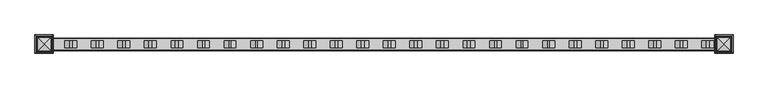
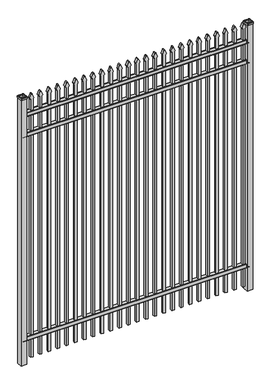
"""IFC4 building model written with IfcOpenShell, lengths in millimetres: railing geometry."""

from ifc_helpers import new_model, si_unit, point, frame, frame_2d, origin, origin_with_axes, place, context, project, spatial, polyline, circle_curve, ellipse_curve, trimmed, segment, composite_curve, outline, extrude, source, transform, mapped, element, save
from ifc_brep_helpers import plane_surface, cylinder_surface, advanced_brep


def railing_ef5b2bd4(model_context):
    return source(origin(), model_context, "Body", "SolidModel", [
        extrude(outline(composite_curve([segment(polyline([(4253.9139761, 304.8), (4291.969541, 304.8)]), True, "CONTINUOUS"), segment(trimmed(circle_curve(frame_2d((4291.969541, 301.625)), 3.175), [point((4291.969541, 304.8))], [point((4295.144541, 301.625))], False, "CARTESIAN"), True, "CONTINUOUS"), segment(polyline([(4295.144541, 301.625), (4295.144541, 262.1439893)]), True, "CONTINUOUS"), segment(trimmed(circle_curve(frame_2d((4293.3505518, 262.1439893)), 1.7939893), [point((4295.144541, 262.1439893))], [point((4293.3505518, 260.35))], False, "CARTESIAN"), True, "CONTINUOUS"), segment(polyline([(4293.3505518, 260.35), (4290.7590713, 260.35)]), True, "CONTINUOUS"), segment(trimmed(circle_curve(frame_2d((4290.7590713, 262.1359375)), 1.7859375), [point((4290.7590713, 260.35))], [point((4288.9755813, 262.0424688))], False, "CARTESIAN"), True, "CONTINUOUS"), segment(polyline([(4288.9755813, 262.0424688), (4287.4025867, 292.0569942), (4258.4364954, 292.0569942), (4256.8635007, 262.0424688)]), True, "CONTINUOUS"), segment(trimmed(circle_curve(frame_2d((4255.0800108, 262.1359375)), 1.7859375), [point((4256.8635007, 262.0424688))], [point((4255.0800108, 260.35))], False, "CARTESIAN"), True, "CONTINUOUS"), segment(polyline([(4255.0800108, 260.35), (4252.4804785, 260.35)]), True, "CONTINUOUS"), segment(trimmed(circle_curve(frame_2d((4252.4804785, 262.1359375)), 1.7859375), [point((4252.4804785, 260.35))], [point((4250.694541, 262.1359375))], False, "CARTESIAN"), True, "CONTINUOUS"), segment(polyline([(4250.694541, 262.1359375), (4250.694541, 301.5805649)]), True, "CONTINUOUS"), segment(trimmed(circle_curve(frame_2d((4253.9139761, 301.5805649)), 3.2194351), [point((4250.694541, 301.5805649))], [point((4253.9139761, 304.8))], False, "CARTESIAN"), True, "CONTINUOUS")], self_intersect=False)), frame((-28443.4649936, 0.0, 0.0), z_axis=(1.0, 0.0, 0.0), x_axis=(0.0, 1.0, 0.0)), (0.0, 0.0, 1.0), 2438.4),
        extrude(outline(composite_curve([segment(polyline([(4253.9139761, 2628.9), (4291.969541, 2628.9)]), True, "CONTINUOUS"), segment(trimmed(circle_curve(frame_2d((4291.969541, 2625.725)), 3.175), [point((4291.969541, 2628.9))], [point((4295.144541, 2625.725))], False, "CARTESIAN"), True, "CONTINUOUS"), segment(polyline([(4295.144541, 2625.725), (4295.144541, 2586.2439893)]), True, "CONTINUOUS"), segment(trimmed(circle_curve(frame_2d((4293.3505518, 2586.2439893)), 1.7939893), [point((4295.144541, 2586.2439893))], [point((4293.3505518, 2584.45))], False, "CARTESIAN"), True, "CONTINUOUS"), segment(polyline([(4293.3505518, 2584.45), (4290.7590713, 2584.45)]), True, "CONTINUOUS"), segment(trimmed(circle_curve(frame_2d((4290.7590713, 2586.2359375)), 1.7859375), [point((4290.7590713, 2584.45))], [point((4288.9755813, 2586.1424688))], False, "CARTESIAN"), True, "CONTINUOUS"), segment(polyline([(4288.9755813, 2586.1424688), (4287.4025867, 2616.1569942), (4258.4364954, 2616.1569942), (4256.8635007, 2586.1424688)]), True, "CONTINUOUS"), segment(trimmed(circle_curve(frame_2d((4255.0800108, 2586.2359375)), 1.7859375), [point((4256.8635007, 2586.1424688))], [point((4255.0800108, 2584.45))], False, "CARTESIAN"), True, "CONTINUOUS"), segment(polyline([(4255.0800108, 2584.45), (4252.4804785, 2584.45)]), True, "CONTINUOUS"), segment(trimmed(circle_curve(frame_2d((4252.4804785, 2586.2359375)), 1.7859375), [point((4252.4804785, 2584.45))], [point((4250.694541, 2586.2359375))], False, "CARTESIAN"), True, "CONTINUOUS"), segment(polyline([(4250.694541, 2586.2359375), (4250.694541, 2625.6805649)]), True, "CONTINUOUS"), segment(trimmed(circle_curve(frame_2d((4253.9139761, 2625.6805649)), 3.2194351), [point((4250.694541, 2625.6805649))], [point((4253.9139761, 2628.9))], False, "CARTESIAN"), True, "CONTINUOUS")], self_intersect=False)), frame((-28443.4649936, 0.0, 0.0), z_axis=(1.0, 0.0, 0.0), x_axis=(0.0, 1.0, 0.0)), (0.0, 0.0, 1.0), 2438.4),
        extrude(outline(composite_curve([segment(polyline([(4253.9139761, 2859.0875), (4291.969541, 2859.0875)]), True, "CONTINUOUS"), segment(trimmed(circle_curve(frame_2d((4291.969541, 2855.9125)), 3.175), [point((4291.969541, 2859.0875))], [point((4295.144541, 2855.9125))], False, "CARTESIAN"), True, "CONTINUOUS"), segment(polyline([(4295.144541, 2855.9125), (4295.144541, 2816.4314893)]), True, "CONTINUOUS"), segment(trimmed(circle_curve(frame_2d((4293.3505518, 2816.4314893)), 1.7939893), [point((4295.144541, 2816.4314893))], [point((4293.3505518, 2814.6375))], False, "CARTESIAN"), True, "CONTINUOUS"), segment(polyline([(4293.3505518, 2814.6375), (4290.7590713, 2814.6375)]), True, "CONTINUOUS"), segment(trimmed(circle_curve(frame_2d((4290.7590713, 2816.4234375)), 1.7859375), [point((4290.7590713, 2814.6375))], [point((4288.9755813, 2816.3299688))], False, "CARTESIAN"), True, "CONTINUOUS"), segment(polyline([(4288.9755813, 2816.3299688), (4287.4025867, 2846.3444942), (4258.4364954, 2846.3444942), (4256.8635007, 2816.3299688)]), True, "CONTINUOUS"), segment(trimmed(circle_curve(frame_2d((4255.0800108, 2816.4234375)), 1.7859375), [point((4256.8635007, 2816.3299688))], [point((4255.0800108, 2814.6375))], False, "CARTESIAN"), True, "CONTINUOUS"), segment(polyline([(4255.0800108, 2814.6375), (4252.4804785, 2814.6375)]), True, "CONTINUOUS"), segment(trimmed(circle_curve(frame_2d((4252.4804785, 2816.4234375)), 1.7859375), [point((4252.4804785, 2814.6375))], [point((4250.694541, 2816.4234375))], False, "CARTESIAN"), True, "CONTINUOUS"), segment(polyline([(4250.694541, 2816.4234375), (4250.694541, 2855.8680649)]), True, "CONTINUOUS"), segment(trimmed(circle_curve(frame_2d((4253.9139761, 2855.8680649)), 3.2194351), [point((4250.694541, 2855.8680649))], [point((4253.9139761, 2859.0875))], False, "CARTESIAN"), True, "CONTINUOUS")], self_intersect=False)), frame((-28443.4649936, 0.0, 0.0), z_axis=(1.0, 0.0, 0.0), x_axis=(0.0, 1.0, 0.0)), (0.0, 0.0, 1.0), 2438.4),
        extrude(outline(composite_curve([segment(polyline([(2988.6798417, -26074.9149936), (50.8, -26074.9149936), (50.8, -26049.5149936), (2988.4579232, -26049.5149936)]), True, "CONTINUOUS"), segment(trimmed(circle_curve(frame_2d((3006.9299402, -26063.3872336)), 23.1009622), [point((2988.4579232, -26049.5149936))], [point((3001.4676176, -26040.9413545))], False, "CARTESIAN"), True, "CONTINUOUS"), segment(polyline([(3001.4676176, -26040.9413545), (3041.9555225, -26057.2605644)]), True, "CONTINUOUS"), segment(trimmed(circle_curve(frame_2d((3038.8045804, -26062.3905764)), 6.0204202), [point((3041.9555225, -26057.2605644))], [point((3041.9555225, -26067.5205884))], False, "CARTESIAN"), True, "CONTINUOUS"), segment(polyline([(3041.9555225, -26067.5205884), (3002.7339948, -26083.4687724)]), True, "CONTINUOUS"), segment(trimmed(circle_curve(frame_2d((3006.9299402, -26060.7520716)), 23.1009622), [point((3002.7339948, -26083.4687724))], [point((2988.6798417, -26074.9149936))], False, "CARTESIAN"), True, "CONTINUOUS")], self_intersect=False)), frame((0.0, 4260.219541, 0.0), z_axis=(0.0, 1.0, 0.0), x_axis=(0.0, 0.0, 1.0)), (0.0, 0.0, 1.0), 25.4),
        extrude(outline(composite_curve([segment(polyline([(2988.6798417, -26170.1649936), (50.8, -26170.1649936), (50.8, -26144.7649936), (2988.4579232, -26144.7649936)]), True, "CONTINUOUS"), segment(trimmed(circle_curve(frame_2d((3006.9299402, -26158.6372336)), 23.1009622), [point((2988.4579232, -26144.7649936))], [point((3001.4676176, -26136.1913545))], False, "CARTESIAN"), True, "CONTINUOUS"), segment(polyline([(3001.4676176, -26136.1913545), (3041.9555225, -26152.5105644)]), True, "CONTINUOUS"), segment(trimmed(circle_curve(frame_2d((3038.8045804, -26157.6405764)), 6.0204202), [point((3041.9555225, -26152.5105644))], [point((3041.9555225, -26162.7705884))], False, "CARTESIAN"), True, "CONTINUOUS"), segment(polyline([(3041.9555225, -26162.7705884), (3002.7339948, -26178.7187724)]), True, "CONTINUOUS"), segment(trimmed(circle_curve(frame_2d((3006.9299402, -26156.0020716)), 23.1009622), [point((3002.7339948, -26178.7187724))], [point((2988.6798417, -26170.1649936))], False, "CARTESIAN"), True, "CONTINUOUS")], self_intersect=False)), frame((0.0, 4260.219541, 0.0), z_axis=(0.0, 1.0, 0.0), x_axis=(0.0, 0.0, 1.0)), (0.0, 0.0, 1.0), 25.4),
        extrude(outline(composite_curve([segment(polyline([(2988.6798417, -26265.4149936), (50.8, -26265.4149936), (50.8, -26240.0149936), (2988.4579232, -26240.0149936)]), True, "CONTINUOUS"), segment(trimmed(circle_curve(frame_2d((3006.9299402, -26253.8872336)), 23.1009622), [point((2988.4579232, -26240.0149936))], [point((3001.4676176, -26231.4413545))], False, "CARTESIAN"), True, "CONTINUOUS"), segment(polyline([(3001.4676176, -26231.4413545), (3041.9555225, -26247.7605644)]), True, "CONTINUOUS"), segment(trimmed(circle_curve(frame_2d((3038.8045804, -26252.8905764)), 6.0204202), [point((3041.9555225, -26247.7605644))], [point((3041.9555225, -26258.0205884))], False, "CARTESIAN"), True, "CONTINUOUS"), segment(polyline([(3041.9555225, -26258.0205884), (3002.7339948, -26273.9687724)]), True, "CONTINUOUS"), segment(trimmed(circle_curve(frame_2d((3006.9299402, -26251.2520716)), 23.1009622), [point((3002.7339948, -26273.9687724))], [point((2988.6798417, -26265.4149936))], False, "CARTESIAN"), True, "CONTINUOUS")], self_intersect=False)), frame((0.0, 4260.219541, 0.0), z_axis=(0.0, 1.0, 0.0), x_axis=(0.0, 0.0, 1.0)), (0.0, 0.0, 1.0), 25.4),
        extrude(outline(composite_curve([segment(polyline([(2988.6798417, -26360.6649936), (50.8, -26360.6649936), (50.8, -26335.2649936), (2988.4579232, -26335.2649936)]), True, "CONTINUOUS"), segment(trimmed(circle_curve(frame_2d((3006.9299402, -26349.1372336)), 23.1009622), [point((2988.4579232, -26335.2649936))], [point((3001.4676176, -26326.6913545))], False, "CARTESIAN"), True, "CONTINUOUS"), segment(polyline([(3001.4676176, -26326.6913545), (3041.9555225, -26343.0105644)]), True, "CONTINUOUS"), segment(trimmed(circle_curve(frame_2d((3038.8045804, -26348.1405764)), 6.0204202), [point((3041.9555225, -26343.0105644))], [point((3041.9555225, -26353.2705884))], False, "CARTESIAN"), True, "CONTINUOUS"), segment(polyline([(3041.9555225, -26353.2705884), (3002.7339948, -26369.2187724)]), True, "CONTINUOUS"), segment(trimmed(circle_curve(frame_2d((3006.9299402, -26346.5020716)), 23.1009622), [point((3002.7339948, -26369.2187724))], [point((2988.6798417, -26360.6649936))], False, "CARTESIAN"), True, "CONTINUOUS")], self_intersect=False)), frame((0.0, 4260.219541, 0.0), z_axis=(0.0, 1.0, 0.0), x_axis=(0.0, 0.0, 1.0)), (0.0, 0.0, 1.0), 25.4),
        extrude(outline(composite_curve([segment(polyline([(2988.6798417, -26455.9149936), (50.8, -26455.9149936), (50.8, -26430.5149936), (2988.4579232, -26430.5149936)]), True, "CONTINUOUS"), segment(trimmed(circle_curve(frame_2d((3006.9299402, -26444.3872336)), 23.1009622), [point((2988.4579232, -26430.5149936))], [point((3001.4676176, -26421.9413545))], False, "CARTESIAN"), True, "CONTINUOUS"), segment(polyline([(3001.4676176, -26421.9413545), (3041.9555225, -26438.2605644)]), True, "CONTINUOUS"), segment(trimmed(circle_curve(frame_2d((3038.8045804, -26443.3905764)), 6.0204202), [point((3041.9555225, -26438.2605644))], [point((3041.9555225, -26448.5205884))], False, "CARTESIAN"), True, "CONTINUOUS"), segment(polyline([(3041.9555225, -26448.5205884), (3002.7339948, -26464.4687724)]), True, "CONTINUOUS"), segment(trimmed(circle_curve(frame_2d((3006.9299402, -26441.7520716)), 23.1009622), [point((3002.7339948, -26464.4687724))], [point((2988.6798417, -26455.9149936))], False, "CARTESIAN"), True, "CONTINUOUS")], self_intersect=False)), frame((0.0, 4260.219541, 0.0), z_axis=(0.0, 1.0, 0.0), x_axis=(0.0, 0.0, 1.0)), (0.0, 0.0, 1.0), 25.4),
        extrude(outline(composite_curve([segment(polyline([(2988.6798417, -26551.1649936), (50.8, -26551.1649936), (50.8, -26525.7649936), (2988.4579232, -26525.7649936)]), True, "CONTINUOUS"), segment(trimmed(circle_curve(frame_2d((3006.9299402, -26539.6372336)), 23.1009622), [point((2988.4579232, -26525.7649936))], [point((3001.4676176, -26517.1913545))], False, "CARTESIAN"), True, "CONTINUOUS"), segment(polyline([(3001.4676176, -26517.1913545), (3041.9555225, -26533.5105644)]), True, "CONTINUOUS"), segment(trimmed(circle_curve(frame_2d((3038.8045804, -26538.6405764)), 6.0204202), [point((3041.9555225, -26533.5105644))], [point((3041.9555225, -26543.7705884))], False, "CARTESIAN"), True, "CONTINUOUS"), segment(polyline([(3041.9555225, -26543.7705884), (3002.7339948, -26559.7187724)]), True, "CONTINUOUS"), segment(trimmed(circle_curve(frame_2d((3006.9299402, -26537.0020716)), 23.1009622), [point((3002.7339948, -26559.7187724))], [point((2988.6798417, -26551.1649936))], False, "CARTESIAN"), True, "CONTINUOUS")], self_intersect=False)), frame((0.0, 4260.219541, 0.0), z_axis=(0.0, 1.0, 0.0), x_axis=(0.0, 0.0, 1.0)), (0.0, 0.0, 1.0), 25.4),
        extrude(outline(composite_curve([segment(polyline([(2988.6798417, -26646.4149936), (50.8, -26646.4149936), (50.8, -26621.0149936), (2988.4579232, -26621.0149936)]), True, "CONTINUOUS"), segment(trimmed(circle_curve(frame_2d((3006.9299402, -26634.8872336)), 23.1009622), [point((2988.4579232, -26621.0149936))], [point((3001.4676176, -26612.4413545))], False, "CARTESIAN"), True, "CONTINUOUS"), segment(polyline([(3001.4676176, -26612.4413545), (3041.9555225, -26628.7605644)]), True, "CONTINUOUS"), segment(trimmed(circle_curve(frame_2d((3038.8045804, -26633.8905764)), 6.0204202), [point((3041.9555225, -26628.7605644))], [point((3041.9555225, -26639.0205884))], False, "CARTESIAN"), True, "CONTINUOUS"), segment(polyline([(3041.9555225, -26639.0205884), (3002.7339948, -26654.9687724)]), True, "CONTINUOUS"), segment(trimmed(circle_curve(frame_2d((3006.9299402, -26632.2520716)), 23.1009622), [point((3002.7339948, -26654.9687724))], [point((2988.6798417, -26646.4149936))], False, "CARTESIAN"), True, "CONTINUOUS")], self_intersect=False)), frame((0.0, 4260.219541, 0.0), z_axis=(0.0, 1.0, 0.0), x_axis=(0.0, 0.0, 1.0)), (0.0, 0.0, 1.0), 25.4),
        extrude(outline(composite_curve([segment(polyline([(2988.6798417, -26741.6649936), (50.8, -26741.6649936), (50.8, -26716.2649936), (2988.4579232, -26716.2649936)]), True, "CONTINUOUS"), segment(trimmed(circle_curve(frame_2d((3006.9299402, -26730.1372336)), 23.1009622), [point((2988.4579232, -26716.2649936))], [point((3001.4676176, -26707.6913545))], False, "CARTESIAN"), True, "CONTINUOUS"), segment(polyline([(3001.4676176, -26707.6913545), (3041.9555225, -26724.0105644)]), True, "CONTINUOUS"), segment(trimmed(circle_curve(frame_2d((3038.8045804, -26729.1405764)), 6.0204202), [point((3041.9555225, -26724.0105644))], [point((3041.9555225, -26734.2705884))], False, "CARTESIAN"), True, "CONTINUOUS"), segment(polyline([(3041.9555225, -26734.2705884), (3002.7339948, -26750.2187724)]), True, "CONTINUOUS"), segment(trimmed(circle_curve(frame_2d((3006.9299402, -26727.5020716)), 23.1009622), [point((3002.7339948, -26750.2187724))], [point((2988.6798417, -26741.6649936))], False, "CARTESIAN"), True, "CONTINUOUS")], self_intersect=False)), frame((0.0, 4260.219541, 0.0), z_axis=(0.0, 1.0, 0.0), x_axis=(0.0, 0.0, 1.0)), (0.0, 0.0, 1.0), 25.4),
        extrude(outline(composite_curve([segment(polyline([(2988.6798417, -26836.9149936), (50.8, -26836.9149936), (50.8, -26811.5149936), (2988.4579232, -26811.5149936)]), True, "CONTINUOUS"), segment(trimmed(circle_curve(frame_2d((3006.9299402, -26825.3872336)), 23.1009622), [point((2988.4579232, -26811.5149936))], [point((3001.4676176, -26802.9413545))], False, "CARTESIAN"), True, "CONTINUOUS"), segment(polyline([(3001.4676176, -26802.9413545), (3041.9555225, -26819.2605644)]), True, "CONTINUOUS"), segment(trimmed(circle_curve(frame_2d((3038.8045804, -26824.3905764)), 6.0204202), [point((3041.9555225, -26819.2605644))], [point((3041.9555225, -26829.5205884))], False, "CARTESIAN"), True, "CONTINUOUS"), segment(polyline([(3041.9555225, -26829.5205884), (3002.7339948, -26845.4687724)]), True, "CONTINUOUS"), segment(trimmed(circle_curve(frame_2d((3006.9299402, -26822.7520716)), 23.1009622), [point((3002.7339948, -26845.4687724))], [point((2988.6798417, -26836.9149936))], False, "CARTESIAN"), True, "CONTINUOUS")], self_intersect=False)), frame((0.0, 4260.219541, 0.0), z_axis=(0.0, 1.0, 0.0), x_axis=(0.0, 0.0, 1.0)), (0.0, 0.0, 1.0), 25.4),
        extrude(outline(composite_curve([segment(polyline([(2988.6798417, -26932.1649936), (50.8, -26932.1649936), (50.8, -26906.7649936), (2988.4579232, -26906.7649936)]), True, "CONTINUOUS"), segment(trimmed(circle_curve(frame_2d((3006.9299402, -26920.6372336)), 23.1009622), [point((2988.4579232, -26906.7649936))], [point((3001.4676176, -26898.1913545))], False, "CARTESIAN"), True, "CONTINUOUS"), segment(polyline([(3001.4676176, -26898.1913545), (3041.9555225, -26914.5105644)]), True, "CONTINUOUS"), segment(trimmed(circle_curve(frame_2d((3038.8045804, -26919.6405764)), 6.0204202), [point((3041.9555225, -26914.5105644))], [point((3041.9555225, -26924.7705884))], False, "CARTESIAN"), True, "CONTINUOUS"), segment(polyline([(3041.9555225, -26924.7705884), (3002.7339948, -26940.7187724)]), True, "CONTINUOUS"), segment(trimmed(circle_curve(frame_2d((3006.9299402, -26918.0020716)), 23.1009622), [point((3002.7339948, -26940.7187724))], [point((2988.6798417, -26932.1649936))], False, "CARTESIAN"), True, "CONTINUOUS")], self_intersect=False)), frame((0.0, 4260.219541, 0.0), z_axis=(0.0, 1.0, 0.0), x_axis=(0.0, 0.0, 1.0)), (0.0, 0.0, 1.0), 25.4),
        extrude(outline(composite_curve([segment(polyline([(2988.6798417, -27027.4149936), (50.8, -27027.4149936), (50.8, -27002.0149936), (2988.4579232, -27002.0149936)]), True, "CONTINUOUS"), segment(trimmed(circle_curve(frame_2d((3006.9299402, -27015.8872336)), 23.1009622), [point((2988.4579232, -27002.0149936))], [point((3001.4676176, -26993.4413545))], False, "CARTESIAN"), True, "CONTINUOUS"), segment(polyline([(3001.4676176, -26993.4413545), (3041.9555225, -27009.7605644)]), True, "CONTINUOUS"), segment(trimmed(circle_curve(frame_2d((3038.8045804, -27014.8905764)), 6.0204202), [point((3041.9555225, -27009.7605644))], [point((3041.9555225, -27020.0205884))], False, "CARTESIAN"), True, "CONTINUOUS"), segment(polyline([(3041.9555225, -27020.0205884), (3002.7339948, -27035.9687724)]), True, "CONTINUOUS"), segment(trimmed(circle_curve(frame_2d((3006.9299402, -27013.2520716)), 23.1009622), [point((3002.7339948, -27035.9687724))], [point((2988.6798417, -27027.4149936))], False, "CARTESIAN"), True, "CONTINUOUS")], self_intersect=False)), frame((0.0, 4260.219541, 0.0), z_axis=(0.0, 1.0, 0.0), x_axis=(0.0, 0.0, 1.0)), (0.0, 0.0, 1.0), 25.4),
        extrude(outline(composite_curve([segment(polyline([(2988.6798417, -27122.6649936), (50.8, -27122.6649936), (50.8, -27097.2649936), (2988.4579232, -27097.2649936)]), True, "CONTINUOUS"), segment(trimmed(circle_curve(frame_2d((3006.9299402, -27111.1372336)), 23.1009622), [point((2988.4579232, -27097.2649936))], [point((3001.4676176, -27088.6913545))], False, "CARTESIAN"), True, "CONTINUOUS"), segment(polyline([(3001.4676176, -27088.6913545), (3041.9555225, -27105.0105644)]), True, "CONTINUOUS"), segment(trimmed(circle_curve(frame_2d((3038.8045804, -27110.1405764)), 6.0204202), [point((3041.9555225, -27105.0105644))], [point((3041.9555225, -27115.2705884))], False, "CARTESIAN"), True, "CONTINUOUS"), segment(polyline([(3041.9555225, -27115.2705884), (3002.7339948, -27131.2187724)]), True, "CONTINUOUS"), segment(trimmed(circle_curve(frame_2d((3006.9299402, -27108.5020716)), 23.1009622), [point((3002.7339948, -27131.2187724))], [point((2988.6798417, -27122.6649936))], False, "CARTESIAN"), True, "CONTINUOUS")], self_intersect=False)), frame((0.0, 4260.219541, 0.0), z_axis=(0.0, 1.0, 0.0), x_axis=(0.0, 0.0, 1.0)), (0.0, 0.0, 1.0), 25.4),
        extrude(outline(composite_curve([segment(polyline([(2988.6798417, -27217.9149936), (50.8, -27217.9149936), (50.8, -27192.5149936), (2988.4579232, -27192.5149936)]), True, "CONTINUOUS"), segment(trimmed(circle_curve(frame_2d((3006.9299402, -27206.3872336)), 23.1009622), [point((2988.4579232, -27192.5149936))], [point((3001.4676176, -27183.9413545))], False, "CARTESIAN"), True, "CONTINUOUS"), segment(polyline([(3001.4676176, -27183.9413545), (3041.9555225, -27200.2605644)]), True, "CONTINUOUS"), segment(trimmed(circle_curve(frame_2d((3038.8045804, -27205.3905764)), 6.0204202), [point((3041.9555225, -27200.2605644))], [point((3041.9555225, -27210.5205884))], False, "CARTESIAN"), True, "CONTINUOUS"), segment(polyline([(3041.9555225, -27210.5205884), (3002.7339948, -27226.4687724)]), True, "CONTINUOUS"), segment(trimmed(circle_curve(frame_2d((3006.9299402, -27203.7520716)), 23.1009622), [point((3002.7339948, -27226.4687724))], [point((2988.6798417, -27217.9149936))], False, "CARTESIAN"), True, "CONTINUOUS")], self_intersect=False)), frame((0.0, 4260.219541, 0.0), z_axis=(0.0, 1.0, 0.0), x_axis=(0.0, 0.0, 1.0)), (0.0, 0.0, 1.0), 25.4),
        extrude(outline(composite_curve([segment(polyline([(2988.6798417, -27313.1649936), (50.8, -27313.1649936), (50.8, -27287.7649936), (2988.4579232, -27287.7649936)]), True, "CONTINUOUS"), segment(trimmed(circle_curve(frame_2d((3006.9299402, -27301.6372336)), 23.1009622), [point((2988.4579232, -27287.7649936))], [point((3001.4676176, -27279.1913545))], False, "CARTESIAN"), True, "CONTINUOUS"), segment(polyline([(3001.4676176, -27279.1913545), (3041.9555225, -27295.5105644)]), True, "CONTINUOUS"), segment(trimmed(circle_curve(frame_2d((3038.8045804, -27300.6405764)), 6.0204202), [point((3041.9555225, -27295.5105644))], [point((3041.9555225, -27305.7705884))], False, "CARTESIAN"), True, "CONTINUOUS"), segment(polyline([(3041.9555225, -27305.7705884), (3002.7339948, -27321.7187724)]), True, "CONTINUOUS"), segment(trimmed(circle_curve(frame_2d((3006.9299402, -27299.0020716)), 23.1009622), [point((3002.7339948, -27321.7187724))], [point((2988.6798417, -27313.1649936))], False, "CARTESIAN"), True, "CONTINUOUS")], self_intersect=False)), frame((0.0, 4260.219541, 0.0), z_axis=(0.0, 1.0, 0.0), x_axis=(0.0, 0.0, 1.0)), (0.0, 0.0, 1.0), 25.4),
        extrude(outline(composite_curve([segment(polyline([(2988.6798417, -27408.4149936), (50.8, -27408.4149936), (50.8, -27383.0149936), (2988.4579232, -27383.0149936)]), True, "CONTINUOUS"), segment(trimmed(circle_curve(frame_2d((3006.9299402, -27396.8872336)), 23.1009622), [point((2988.4579232, -27383.0149936))], [point((3001.4676176, -27374.4413545))], False, "CARTESIAN"), True, "CONTINUOUS"), segment(polyline([(3001.4676176, -27374.4413545), (3041.9555225, -27390.7605644)]), True, "CONTINUOUS"), segment(trimmed(circle_curve(frame_2d((3038.8045804, -27395.8905764)), 6.0204202), [point((3041.9555225, -27390.7605644))], [point((3041.9555225, -27401.0205884))], False, "CARTESIAN"), True, "CONTINUOUS"), segment(polyline([(3041.9555225, -27401.0205884), (3002.7339948, -27416.9687724)]), True, "CONTINUOUS"), segment(trimmed(circle_curve(frame_2d((3006.9299402, -27394.2520716)), 23.1009622), [point((3002.7339948, -27416.9687724))], [point((2988.6798417, -27408.4149936))], False, "CARTESIAN"), True, "CONTINUOUS")], self_intersect=False)), frame((0.0, 4260.219541, 0.0), z_axis=(0.0, 1.0, 0.0), x_axis=(0.0, 0.0, 1.0)), (0.0, 0.0, 1.0), 25.4),
        extrude(outline(composite_curve([segment(polyline([(2988.6798417, -27503.6649936), (50.8, -27503.6649936), (50.8, -27478.2649936), (2988.4579232, -27478.2649936)]), True, "CONTINUOUS"), segment(trimmed(circle_curve(frame_2d((3006.9299402, -27492.1372336)), 23.1009622), [point((2988.4579232, -27478.2649936))], [point((3001.4676176, -27469.6913545))], False, "CARTESIAN"), True, "CONTINUOUS"), segment(polyline([(3001.4676176, -27469.6913545), (3041.9555225, -27486.0105644)]), True, "CONTINUOUS"), segment(trimmed(circle_curve(frame_2d((3038.8045804, -27491.1405764)), 6.0204202), [point((3041.9555225, -27486.0105644))], [point((3041.9555225, -27496.2705884))], False, "CARTESIAN"), True, "CONTINUOUS"), segment(polyline([(3041.9555225, -27496.2705884), (3002.7339948, -27512.2187724)]), True, "CONTINUOUS"), segment(trimmed(circle_curve(frame_2d((3006.9299402, -27489.5020716)), 23.1009622), [point((3002.7339948, -27512.2187724))], [point((2988.6798417, -27503.6649936))], False, "CARTESIAN"), True, "CONTINUOUS")], self_intersect=False)), frame((0.0, 4260.219541, 0.0), z_axis=(0.0, 1.0, 0.0), x_axis=(0.0, 0.0, 1.0)), (0.0, 0.0, 1.0), 25.4),
        extrude(outline(composite_curve([segment(polyline([(2988.6798417, -27598.9149936), (50.8, -27598.9149936), (50.8, -27573.5149936), (2988.4579232, -27573.5149936)]), True, "CONTINUOUS"), segment(trimmed(circle_curve(frame_2d((3006.9299402, -27587.3872336)), 23.1009622), [point((2988.4579232, -27573.5149936))], [point((3001.4676176, -27564.9413545))], False, "CARTESIAN"), True, "CONTINUOUS"), segment(polyline([(3001.4676176, -27564.9413545), (3041.9555225, -27581.2605644)]), True, "CONTINUOUS"), segment(trimmed(circle_curve(frame_2d((3038.8045804, -27586.3905764)), 6.0204202), [point((3041.9555225, -27581.2605644))], [point((3041.9555225, -27591.5205884))], False, "CARTESIAN"), True, "CONTINUOUS"), segment(polyline([(3041.9555225, -27591.5205884), (3002.7339948, -27607.4687724)]), True, "CONTINUOUS"), segment(trimmed(circle_curve(frame_2d((3006.9299402, -27584.7520716)), 23.1009622), [point((3002.7339948, -27607.4687724))], [point((2988.6798417, -27598.9149936))], False, "CARTESIAN"), True, "CONTINUOUS")], self_intersect=False)), frame((0.0, 4260.219541, 0.0), z_axis=(0.0, 1.0, 0.0), x_axis=(0.0, 0.0, 1.0)), (0.0, 0.0, 1.0), 25.4),
        extrude(outline(composite_curve([segment(polyline([(2988.6798417, -27694.1649936), (50.8, -27694.1649936), (50.8, -27668.7649936), (2988.4579232, -27668.7649936)]), True, "CONTINUOUS"), segment(trimmed(circle_curve(frame_2d((3006.9299402, -27682.6372336)), 23.1009622), [point((2988.4579232, -27668.7649936))], [point((3001.4676176, -27660.1913545))], False, "CARTESIAN"), True, "CONTINUOUS"), segment(polyline([(3001.4676176, -27660.1913545), (3041.9555225, -27676.5105644)]), True, "CONTINUOUS"), segment(trimmed(circle_curve(frame_2d((3038.8045804, -27681.6405764)), 6.0204202), [point((3041.9555225, -27676.5105644))], [point((3041.9555225, -27686.7705884))], False, "CARTESIAN"), True, "CONTINUOUS"), segment(polyline([(3041.9555225, -27686.7705884), (3002.7339948, -27702.7187724)]), True, "CONTINUOUS"), segment(trimmed(circle_curve(frame_2d((3006.9299402, -27680.0020716)), 23.1009622), [point((3002.7339948, -27702.7187724))], [point((2988.6798417, -27694.1649936))], False, "CARTESIAN"), True, "CONTINUOUS")], self_intersect=False)), frame((0.0, 4260.219541, 0.0), z_axis=(0.0, 1.0, 0.0), x_axis=(0.0, 0.0, 1.0)), (0.0, 0.0, 1.0), 25.4),
        extrude(outline(composite_curve([segment(polyline([(2988.6798417, -27789.4149936), (50.8, -27789.4149936), (50.8, -27764.0149936), (2988.4579232, -27764.0149936)]), True, "CONTINUOUS"), segment(trimmed(circle_curve(frame_2d((3006.9299402, -27777.8872336)), 23.1009622), [point((2988.4579232, -27764.0149936))], [point((3001.4676176, -27755.4413545))], False, "CARTESIAN"), True, "CONTINUOUS"), segment(polyline([(3001.4676176, -27755.4413545), (3041.9555225, -27771.7605644)]), True, "CONTINUOUS"), segment(trimmed(circle_curve(frame_2d((3038.8045804, -27776.8905764)), 6.0204202), [point((3041.9555225, -27771.7605644))], [point((3041.9555225, -27782.0205884))], False, "CARTESIAN"), True, "CONTINUOUS"), segment(polyline([(3041.9555225, -27782.0205884), (3002.7339948, -27797.9687724)]), True, "CONTINUOUS"), segment(trimmed(circle_curve(frame_2d((3006.9299402, -27775.2520716)), 23.1009622), [point((3002.7339948, -27797.9687724))], [point((2988.6798417, -27789.4149936))], False, "CARTESIAN"), True, "CONTINUOUS")], self_intersect=False)), frame((0.0, 4260.219541, 0.0), z_axis=(0.0, 1.0, 0.0), x_axis=(0.0, 0.0, 1.0)), (0.0, 0.0, 1.0), 25.4),
        extrude(outline(composite_curve([segment(polyline([(2988.6798417, -27884.6649936), (50.8, -27884.6649936), (50.8, -27859.2649936), (2988.4579232, -27859.2649936)]), True, "CONTINUOUS"), segment(trimmed(circle_curve(frame_2d((3006.9299402, -27873.1372336)), 23.1009622), [point((2988.4579232, -27859.2649936))], [point((3001.4676176, -27850.6913545))], False, "CARTESIAN"), True, "CONTINUOUS"), segment(polyline([(3001.4676176, -27850.6913545), (3041.9555225, -27867.0105644)]), True, "CONTINUOUS"), segment(trimmed(circle_curve(frame_2d((3038.8045804, -27872.1405764)), 6.0204202), [point((3041.9555225, -27867.0105644))], [point((3041.9555225, -27877.2705884))], False, "CARTESIAN"), True, "CONTINUOUS"), segment(polyline([(3041.9555225, -27877.2705884), (3002.7339948, -27893.2187724)]), True, "CONTINUOUS"), segment(trimmed(circle_curve(frame_2d((3006.9299402, -27870.5020716)), 23.1009622), [point((3002.7339948, -27893.2187724))], [point((2988.6798417, -27884.6649936))], False, "CARTESIAN"), True, "CONTINUOUS")], self_intersect=False)), frame((0.0, 4260.219541, 0.0), z_axis=(0.0, 1.0, 0.0), x_axis=(0.0, 0.0, 1.0)), (0.0, 0.0, 1.0), 25.4),
        extrude(outline(composite_curve([segment(polyline([(2988.6798417, -27979.9149936), (50.8, -27979.9149936), (50.8, -27954.5149936), (2988.4579232, -27954.5149936)]), True, "CONTINUOUS"), segment(trimmed(circle_curve(frame_2d((3006.9299402, -27968.3872336)), 23.1009622), [point((2988.4579232, -27954.5149936))], [point((3001.4676176, -27945.9413545))], False, "CARTESIAN"), True, "CONTINUOUS"), segment(polyline([(3001.4676176, -27945.9413545), (3041.9555225, -27962.2605644)]), True, "CONTINUOUS"), segment(trimmed(circle_curve(frame_2d((3038.8045804, -27967.3905764)), 6.0204202), [point((3041.9555225, -27962.2605644))], [point((3041.9555225, -27972.5205884))], False, "CARTESIAN"), True, "CONTINUOUS"), segment(polyline([(3041.9555225, -27972.5205884), (3002.7339948, -27988.4687724)]), True, "CONTINUOUS"), segment(trimmed(circle_curve(frame_2d((3006.9299402, -27965.7520716)), 23.1009622), [point((3002.7339948, -27988.4687724))], [point((2988.6798417, -27979.9149936))], False, "CARTESIAN"), True, "CONTINUOUS")], self_intersect=False)), frame((0.0, 4260.219541, 0.0), z_axis=(0.0, 1.0, 0.0), x_axis=(0.0, 0.0, 1.0)), (0.0, 0.0, 1.0), 25.4),
        extrude(outline(composite_curve([segment(polyline([(2988.6798417, -28075.1649936), (50.8, -28075.1649936), (50.8, -28049.7649936), (2988.4579232, -28049.7649936)]), True, "CONTINUOUS"), segment(trimmed(circle_curve(frame_2d((3006.9299402, -28063.6372336)), 23.1009622), [point((2988.4579232, -28049.7649936))], [point((3001.4676176, -28041.1913545))], False, "CARTESIAN"), True, "CONTINUOUS"), segment(polyline([(3001.4676176, -28041.1913545), (3041.9555225, -28057.5105644)]), True, "CONTINUOUS"), segment(trimmed(circle_curve(frame_2d((3038.8045804, -28062.6405764)), 6.0204202), [point((3041.9555225, -28057.5105644))], [point((3041.9555225, -28067.7705884))], False, "CARTESIAN"), True, "CONTINUOUS"), segment(polyline([(3041.9555225, -28067.7705884), (3002.7339948, -28083.7187724)]), True, "CONTINUOUS"), segment(trimmed(circle_curve(frame_2d((3006.9299402, -28061.0020716)), 23.1009622), [point((3002.7339948, -28083.7187724))], [point((2988.6798417, -28075.1649936))], False, "CARTESIAN"), True, "CONTINUOUS")], self_intersect=False)), frame((0.0, 4260.219541, 0.0), z_axis=(0.0, 1.0, 0.0), x_axis=(0.0, 0.0, 1.0)), (0.0, 0.0, 1.0), 25.4),
        extrude(outline(composite_curve([segment(polyline([(2988.6798417, -28170.4149936), (50.8, -28170.4149936), (50.8, -28145.0149936), (2988.4579232, -28145.0149936)]), True, "CONTINUOUS"), segment(trimmed(circle_curve(frame_2d((3006.9299402, -28158.8872336)), 23.1009622), [point((2988.4579232, -28145.0149936))], [point((3001.4676176, -28136.4413545))], False, "CARTESIAN"), True, "CONTINUOUS"), segment(polyline([(3001.4676176, -28136.4413545), (3041.9555225, -28152.7605644)]), True, "CONTINUOUS"), segment(trimmed(circle_curve(frame_2d((3038.8045804, -28157.8905764)), 6.0204202), [point((3041.9555225, -28152.7605644))], [point((3041.9555225, -28163.0205884))], False, "CARTESIAN"), True, "CONTINUOUS"), segment(polyline([(3041.9555225, -28163.0205884), (3002.7339948, -28178.9687724)]), True, "CONTINUOUS"), segment(trimmed(circle_curve(frame_2d((3006.9299402, -28156.2520716)), 23.1009622), [point((3002.7339948, -28178.9687724))], [point((2988.6798417, -28170.4149936))], False, "CARTESIAN"), True, "CONTINUOUS")], self_intersect=False)), frame((0.0, 4260.219541, 0.0), z_axis=(0.0, 1.0, 0.0), x_axis=(0.0, 0.0, 1.0)), (0.0, 0.0, 1.0), 25.4),
        extrude(outline(composite_curve([segment(polyline([(2988.6798417, -28265.6649936), (50.8, -28265.6649936), (50.8, -28240.2649936), (2988.4579232, -28240.2649936)]), True, "CONTINUOUS"), segment(trimmed(circle_curve(frame_2d((3006.9299402, -28254.1372336)), 23.1009622), [point((2988.4579232, -28240.2649936))], [point((3001.4676176, -28231.6913545))], False, "CARTESIAN"), True, "CONTINUOUS"), segment(polyline([(3001.4676176, -28231.6913545), (3041.9555225, -28248.0105644)]), True, "CONTINUOUS"), segment(trimmed(circle_curve(frame_2d((3038.8045804, -28253.1405764)), 6.0204202), [point((3041.9555225, -28248.0105644))], [point((3041.9555225, -28258.2705884))], False, "CARTESIAN"), True, "CONTINUOUS"), segment(polyline([(3041.9555225, -28258.2705884), (3002.7339948, -28274.2187724)]), True, "CONTINUOUS"), segment(trimmed(circle_curve(frame_2d((3006.9299402, -28251.5020716)), 23.1009622), [point((3002.7339948, -28274.2187724))], [point((2988.6798417, -28265.6649936))], False, "CARTESIAN"), True, "CONTINUOUS")], self_intersect=False)), frame((0.0, 4260.219541, 0.0), z_axis=(0.0, 1.0, 0.0), x_axis=(0.0, 0.0, 1.0)), (0.0, 0.0, 1.0), 25.4),
        extrude(outline(composite_curve([segment(polyline([(2988.6798417, -28360.9149936), (50.8, -28360.9149936), (50.8, -28335.5149936), (2988.4579232, -28335.5149936)]), True, "CONTINUOUS"), segment(trimmed(circle_curve(frame_2d((3006.9299402, -28349.3872336)), 23.1009622), [point((2988.4579232, -28335.5149936))], [point((3001.4676176, -28326.9413545))], False, "CARTESIAN"), True, "CONTINUOUS"), segment(polyline([(3001.4676176, -28326.9413545), (3041.9555225, -28343.2605644)]), True, "CONTINUOUS"), segment(trimmed(circle_curve(frame_2d((3038.8045804, -28348.3905764)), 6.0204202), [point((3041.9555225, -28343.2605644))], [point((3041.9555225, -28353.5205884))], False, "CARTESIAN"), True, "CONTINUOUS"), segment(polyline([(3041.9555225, -28353.5205884), (3002.7339948, -28369.4687724)]), True, "CONTINUOUS"), segment(trimmed(circle_curve(frame_2d((3006.9299402, -28346.7520716)), 23.1009622), [point((3002.7339948, -28369.4687724))], [point((2988.6798417, -28360.9149936))], False, "CARTESIAN"), True, "CONTINUOUS")], self_intersect=False)), frame((0.0, 4260.219541, 0.0), z_axis=(0.0, 1.0, 0.0), x_axis=(0.0, 0.0, 1.0)), (0.0, 0.0, 1.0), 25.4),
        extrude(outline(polyline([(-25973.3149936, 4304.669541), (-25973.3149936, 4241.169541), (-26036.8149936, 4241.169541), (-26036.8149936, 4304.669541), (-25973.3149936, 4304.669541)])), origin_with_axes(), (0.0, 0.0, 1.0), 3024.1875),
        advanced_brep(
        [(-26038.4024936, 4306.257041, 3042.44375), (-26038.4024936, 4306.257041, 3024.1875), (-26038.4024936, 4239.582041, 3024.1875), (-26038.4024936, 4239.582041, 3042.44375), (-26036.0212436, 4303.875791, 3044.825), (-26036.0212436, 4241.963291, 3044.825), (-26033.6399936, 4301.494541, 3047.20625), (-26033.6399936, 4301.494541, 3044.825), (-26033.6399936, 4244.344541, 3044.825), (-26033.6399936, 4244.344541, 3047.20625), (-26031.2587436, 4299.113291, 3049.5875), (-26031.2587436, 4246.725791, 3049.5875), (-26005.0649936, 4272.919541, 3055.9375), (-26028.8774936, 4296.732041, 3049.5875), (-26028.8774936, 4249.107041, 3049.5875), (-25971.7274936, 4239.582041, 3024.1875), (-25971.7274936, 4239.582041, 3042.44375), (-25974.1087436, 4241.963291, 3044.825), (-25976.4899936, 4244.344541, 3044.825), (-25976.4899936, 4244.344541, 3047.20625), (-25978.8712436, 4246.725791, 3049.5875), (-25981.2524936, 4249.107041, 3049.5875), (-25971.7274936, 4306.257041, 3024.1875), (-25971.7274936, 4306.257041, 3042.44375), (-25974.1087436, 4303.875791, 3044.825), (-25976.4899936, 4301.494541, 3044.825), (-25976.4899936, 4301.494541, 3047.20625), (-25978.8712436, 4299.113291, 3049.5875), (-25981.2524936, 4296.732041, 3049.5875)],
        [
            (0, 1),
            (1, 2),
            (2, 3),
            (3, 0),
            (4, 0, ellipse_curve(frame((-26036.0212436, 4303.875791, 3042.44375), z_axis=(-0.70710678118655, -0.7071067811865449, 0.0), x_axis=(-0.7071067811865448, 0.7071067811865501, 0.0)), 3.367596, 2.38125)),
            (3, 5, ellipse_curve(frame((-26036.0212436, 4241.963291, 3042.44375), z_axis=(-0.7071067811865449, 0.70710678118655, 0.0), x_axis=(0.7071067811865499, 0.707106781186545, 0.0)), 3.367596, 2.38125)),
            (5, 4),
            (6, 7),
            (7, 8),
            (8, 9),
            (9, 6),
            (10, 6, ellipse_curve(frame((-26031.2587436, 4299.113291, 3047.20625), z_axis=(-0.70710678118655, -0.7071067811865449, 0.0), x_axis=(-0.7071067811865448, 0.7071067811865501, 0.0)), 3.367596, 2.38125)),
            (9, 11, ellipse_curve(frame((-26031.2587436, 4246.725791, 3047.20625), z_axis=(-0.7071067811865449, 0.70710678118655, 0.0), x_axis=(0.7071067811865499, 0.707106781186545, 0.0)), 3.367596, 2.38125)),
            (11, 10),
            (12, 13, ellipse_curve(frame((-26005.0649936, 4272.919541, 3008.1140625), z_axis=(-0.70710678118655, -0.7071067811865449, 0.0), x_axis=(-0.7071067811865448, 0.7071067811865501, 0.0)), 67.6325539, 47.8234375)),
            (13, 14),
            (14, 12, ellipse_curve(frame((-26005.0649936, 4272.919541, 3008.1140625), z_axis=(-0.7071067811865449, 0.70710678118655, 0.0), x_axis=(0.7071067811865499, 0.707106781186545, 0.0)), 67.6325539, 47.8234375)),
            (2, 15),
            (15, 16),
            (16, 3),
            (16, 17, ellipse_curve(frame((-25974.1087436, 4241.963291, 3042.44375), z_axis=(-0.70710678118655, -0.707106781186545, 0.0), x_axis=(-0.707106781186545, 0.70710678118655, 0.0)), 3.367596, 2.38125)),
            (17, 5),
            (8, 18),
            (18, 19),
            (19, 9),
            (19, 20, ellipse_curve(frame((-25978.8712436, 4246.725791, 3047.20625), z_axis=(-0.70710678118655, -0.707106781186545, 0.0), x_axis=(-0.707106781186545, 0.70710678118655, 0.0)), 3.367596, 2.38125)),
            (20, 11),
            (14, 21),
            (21, 12, ellipse_curve(frame((-26005.0649936, 4272.919541, 3008.1140625), z_axis=(-0.70710678118655, -0.707106781186545, 0.0), x_axis=(-0.707106781186545, 0.70710678118655, 0.0)), 67.6325539, 47.8234375)),
            (15, 22),
            (22, 23),
            (23, 16),
            (23, 24, ellipse_curve(frame((-25974.1087436, 4303.875791, 3042.44375), z_axis=(0.707106781186545, -0.7071067811865499, 0.0), x_axis=(-0.7071067811865497, -0.7071067811865452, 0.0)), 3.367596, 2.38125)),
            (24, 17),
            (18, 25),
            (25, 26),
            (26, 19),
            (26, 27, ellipse_curve(frame((-25978.8712436, 4299.113291, 3047.20625), z_axis=(0.707106781186545, -0.7071067811865499, 0.0), x_axis=(-0.7071067811865497, -0.7071067811865452, 0.0)), 3.367596, 2.38125)),
            (27, 20),
            (21, 28),
            (28, 12, ellipse_curve(frame((-26005.0649936, 4272.919541, 3008.1140625), z_axis=(0.707106781186545, -0.7071067811865499, 0.0), x_axis=(-0.7071067811865497, -0.7071067811865452, 0.0)), 67.6325539, 47.8234375)),
            (22, 1),
            (0, 23),
            (4, 24),
            (7, 25),
            (6, 26),
            (10, 27),
            (13, 28),
        ],
        [
            plane_surface(frame((-26038.4024936, 4306.257041, 3024.1875), z_axis=(-1.0, 0.0, 0.0), x_axis=(0.0, -1.0, 0.0))),
            cylinder_surface(frame((-26036.0212436, 4304.669541, 3042.44375), z_axis=(0.0, 1.0, 0.0), x_axis=(1.0, 0.0, 0.0)), 2.38125),
            plane_surface(frame((-26033.6399936, 4301.494541, 3044.825), z_axis=(-1.0, 0.0, 0.0), x_axis=(0.0, -1.0, 0.0))),
            cylinder_surface(frame((-26031.2587436, 4304.669541, 3047.20625), z_axis=(0.0, 1.0, 0.0), x_axis=(1.0, 0.0, 0.0)), 2.38125),
            cylinder_surface(frame((-26005.0649936, 4304.669541, 3008.1140625), z_axis=(0.0, 1.0, 0.0), x_axis=(1.0, 0.0, 0.0)), 47.8234375),
            plane_surface(frame((-26038.4024936, 4239.582041, 3024.1875), z_axis=(0.0, -1.0, 0.0), x_axis=(1.0, 0.0, 0.0))),
            cylinder_surface(frame((-26036.8149936, 4241.963291, 3042.44375), z_axis=(-1.0, 0.0, 0.0), x_axis=(0.0, 1.0, 0.0)), 2.38125),
            plane_surface(frame((-26033.6399936, 4244.344541, 3044.825), z_axis=(0.0, -1.0, 0.0), x_axis=(1.0, 0.0, 0.0))),
            cylinder_surface(frame((-26036.8149936, 4246.725791, 3047.20625), z_axis=(-1.0, 0.0, 0.0), x_axis=(0.0, 1.0, 0.0)), 2.38125),
            cylinder_surface(frame((-26036.8149936, 4272.919541, 3008.1140625), z_axis=(-1.0, 0.0, 0.0), x_axis=(0.0, 1.0, 0.0)), 47.8234375),
            plane_surface(frame((-25971.7274936, 4239.582041, 3024.1875), z_axis=(1.0, 0.0, 0.0), x_axis=(0.0, 1.0, 0.0))),
            cylinder_surface(frame((-25974.1087436, 4241.169541, 3042.44375), z_axis=(0.0, -1.0, 0.0), x_axis=(-1.0, 0.0, 0.0)), 2.38125),
            plane_surface(frame((-25976.4899936, 4244.344541, 3044.825), z_axis=(1.0, 0.0, 0.0), x_axis=(0.0, 1.0, 0.0))),
            cylinder_surface(frame((-25978.8712436, 4241.169541, 3047.20625), z_axis=(0.0, -1.0, 0.0), x_axis=(-1.0, 0.0, 0.0)), 2.38125),
            cylinder_surface(frame((-26005.0649936, 4241.169541, 3008.1140625), z_axis=(0.0, -1.0, 0.0), x_axis=(-1.0, 0.0, 0.0)), 47.8234375),
            plane_surface(frame((-25971.7274936, 4306.257041, 3024.1875), z_axis=(0.0, 1.0, 0.0), x_axis=(-1.0, 0.0, 0.0))),
            cylinder_surface(frame((-25973.3149936, 4303.875791, 3042.44375), z_axis=(1.0, 0.0, 0.0), x_axis=(0.0, -1.0, 0.0)), 2.38125),
            plane_surface(frame((-25974.1087436, 4303.875791, 3044.825), z_axis=(0.0, 0.0, 1.0), x_axis=(-1.0, 0.0, 0.0))),
            plane_surface(frame((-25976.4899936, 4301.494541, 3044.825), z_axis=(0.0, 1.0, 0.0), x_axis=(-1.0, 0.0, 0.0))),
            cylinder_surface(frame((-25973.3149936, 4299.113291, 3047.20625), z_axis=(1.0, 0.0, 0.0), x_axis=(0.0, -1.0, 0.0)), 2.38125),
            plane_surface(frame((-25978.8712436, 4299.113291, 3049.5875), z_axis=(0.0, 0.0, 1.0), x_axis=(-1.0, 0.0, 0.0))),
            cylinder_surface(frame((-25973.3149936, 4272.919541, 3008.1140625), z_axis=(1.0, 0.0, 0.0), x_axis=(0.0, -1.0, 0.0)), 47.8234375),
            plane_surface(frame((-26005.0649936, 4272.919541, 3024.1875), z_axis=(0.0, 0.0, -1.0), x_axis=(-1.0, 0.0, 0.0))),
        ],
        [
            (0, [[1, 2, 3, 4]]),
            (1, [[5, -4, 6, 7]]),
            (2, [[8, 9, 10, 11]]),
            (3, [[12, -11, 13, 14]]),
            (4, [[15, 16, 17]]),
            (5, [[-3, 18, 19, 20]]),
            (6, [[-6, -20, 21, 22]]),
            (7, [[-10, 23, 24, 25]]),
            (8, [[-13, -25, 26, 27]]),
            (9, [[-17, 28, 29]]),
            (10, [[-19, 30, 31, 32]]),
            (11, [[-21, -32, 33, 34]]),
            (12, [[-24, 35, 36, 37]]),
            (13, [[-26, -37, 38, 39]]),
            (14, [[-29, 40, 41]]),
            (15, [[-31, 42, -1, 43]]),
            (16, [[-33, -43, -5, 44]]),
            (17, [[-22, -34, -44, -7], [45, -35, -23, -9]]),
            (18, [[-36, -45, -8, 46]]),
            (19, [[-38, -46, -12, 47]]),
            (20, [[-27, -39, -47, -14], [48, -40, -28, -16]]),
            (21, [[-41, -48, -15]]),
            (22, [[-42, -30, -18, -2]]),
        ],
    ),
        extrude(outline(polyline([(-28411.7149936, 4304.669541), (-28411.7149936, 4241.169541), (-28475.2149936, 4241.169541), (-28475.2149936, 4304.669541), (-28411.7149936, 4304.669541)])), origin_with_axes(), (0.0, 0.0, 1.0), 3024.1875),
        advanced_brep(
        [(-28476.8024936, 4306.257041, 3042.44375), (-28476.8024936, 4306.257041, 3024.1875), (-28476.8024936, 4239.582041, 3024.1875), (-28476.8024936, 4239.582041, 3042.44375), (-28474.4212436, 4303.875791, 3044.825), (-28474.4212436, 4241.963291, 3044.825), (-28472.0399936, 4301.494541, 3047.20625), (-28472.0399936, 4301.494541, 3044.825), (-28472.0399936, 4244.344541, 3044.825), (-28472.0399936, 4244.344541, 3047.20625), (-28469.6587436, 4299.113291, 3049.5875), (-28469.6587436, 4246.725791, 3049.5875), (-28443.4649936, 4272.919541, 3055.9375), (-28467.2774936, 4296.732041, 3049.5875), (-28467.2774936, 4249.107041, 3049.5875), (-28410.1274936, 4239.582041, 3024.1875), (-28410.1274936, 4239.582041, 3042.44375), (-28412.5087436, 4241.963291, 3044.825), (-28414.8899936, 4244.344541, 3044.825), (-28414.8899936, 4244.344541, 3047.20625), (-28417.2712436, 4246.725791, 3049.5875), (-28419.6524936, 4249.107041, 3049.5875), (-28410.1274936, 4306.257041, 3024.1875), (-28410.1274936, 4306.257041, 3042.44375), (-28412.5087436, 4303.875791, 3044.825), (-28414.8899936, 4301.494541, 3044.825), (-28414.8899936, 4301.494541, 3047.20625), (-28417.2712436, 4299.113291, 3049.5875), (-28419.6524936, 4296.732041, 3049.5875)],
        [
            (0, 1),
            (1, 2),
            (2, 3),
            (3, 0),
            (4, 0, ellipse_curve(frame((-28474.4212436, 4303.875791, 3042.44375), z_axis=(-0.70710678118655, -0.7071067811865449, 0.0), x_axis=(-0.7071067811865448, 0.7071067811865501, 0.0)), 3.367596, 2.38125)),
            (3, 5, ellipse_curve(frame((-28474.4212436, 4241.963291, 3042.44375), z_axis=(-0.7071067811865449, 0.70710678118655, 0.0), x_axis=(0.7071067811865499, 0.707106781186545, 0.0)), 3.367596, 2.38125)),
            (5, 4),
            (6, 7),
            (7, 8),
            (8, 9),
            (9, 6),
            (10, 6, ellipse_curve(frame((-28469.6587436, 4299.113291, 3047.20625), z_axis=(-0.70710678118655, -0.7071067811865449, 0.0), x_axis=(-0.7071067811865448, 0.7071067811865501, 0.0)), 3.367596, 2.38125)),
            (9, 11, ellipse_curve(frame((-28469.6587436, 4246.725791, 3047.20625), z_axis=(-0.7071067811865449, 0.70710678118655, 0.0), x_axis=(0.7071067811865499, 0.707106781186545, 0.0)), 3.367596, 2.38125)),
            (11, 10),
            (12, 13, ellipse_curve(frame((-28443.4649936, 4272.919541, 3008.1140625), z_axis=(-0.70710678118655, -0.7071067811865449, 0.0), x_axis=(-0.7071067811865448, 0.7071067811865501, 0.0)), 67.6325539, 47.8234375)),
            (13, 14),
            (14, 12, ellipse_curve(frame((-28443.4649936, 4272.919541, 3008.1140625), z_axis=(-0.7071067811865449, 0.70710678118655, 0.0), x_axis=(0.7071067811865499, 0.707106781186545, 0.0)), 67.6325539, 47.8234375)),
            (2, 15),
            (15, 16),
            (16, 3),
            (16, 17, ellipse_curve(frame((-28412.5087436, 4241.963291, 3042.44375), z_axis=(-0.70710678118655, -0.707106781186545, 0.0), x_axis=(-0.707106781186545, 0.70710678118655, 0.0)), 3.367596, 2.38125)),
            (17, 5),
            (8, 18),
            (18, 19),
            (19, 9),
            (19, 20, ellipse_curve(frame((-28417.2712436, 4246.725791, 3047.20625), z_axis=(-0.70710678118655, -0.707106781186545, 0.0), x_axis=(-0.707106781186545, 0.70710678118655, 0.0)), 3.367596, 2.38125)),
            (20, 11),
            (14, 21),
            (21, 12, ellipse_curve(frame((-28443.4649936, 4272.919541, 3008.1140625), z_axis=(-0.70710678118655, -0.707106781186545, 0.0), x_axis=(-0.707106781186545, 0.70710678118655, 0.0)), 67.6325539, 47.8234375)),
            (15, 22),
            (22, 23),
            (23, 16),
            (23, 24, ellipse_curve(frame((-28412.5087436, 4303.875791, 3042.44375), z_axis=(0.707106781186545, -0.7071067811865499, 0.0), x_axis=(-0.7071067811865497, -0.7071067811865452, 0.0)), 3.367596, 2.38125)),
            (24, 17),
            (18, 25),
            (25, 26),
            (26, 19),
            (26, 27, ellipse_curve(frame((-28417.2712436, 4299.113291, 3047.20625), z_axis=(0.707106781186545, -0.7071067811865499, 0.0), x_axis=(-0.7071067811865497, -0.7071067811865452, 0.0)), 3.367596, 2.38125)),
            (27, 20),
            (21, 28),
            (28, 12, ellipse_curve(frame((-28443.4649936, 4272.919541, 3008.1140625), z_axis=(0.707106781186545, -0.7071067811865499, 0.0), x_axis=(-0.7071067811865497, -0.7071067811865452, 0.0)), 67.6325539, 47.8234375)),
            (22, 1),
            (0, 23),
            (4, 24),
            (7, 25),
            (6, 26),
            (10, 27),
            (13, 28),
        ],
        [
            plane_surface(frame((-28476.8024936, 4306.257041, 3024.1875), z_axis=(-1.0, 0.0, 0.0), x_axis=(0.0, -1.0, 0.0))),
            cylinder_surface(frame((-28474.4212436, 4304.669541, 3042.44375), z_axis=(0.0, 1.0, 0.0), x_axis=(1.0, 0.0, 0.0)), 2.38125),
            plane_surface(frame((-28472.0399936, 4301.494541, 3044.825), z_axis=(-1.0, 0.0, 0.0), x_axis=(0.0, -1.0, 0.0))),
            cylinder_surface(frame((-28469.6587436, 4304.669541, 3047.20625), z_axis=(0.0, 1.0, 0.0), x_axis=(1.0, 0.0, 0.0)), 2.38125),
            cylinder_surface(frame((-28443.4649936, 4304.669541, 3008.1140625), z_axis=(0.0, 1.0, 0.0), x_axis=(1.0, 0.0, 0.0)), 47.8234375),
            plane_surface(frame((-28476.8024936, 4239.582041, 3024.1875), z_axis=(0.0, -1.0, 0.0), x_axis=(1.0, 0.0, 0.0))),
            cylinder_surface(frame((-28475.2149936, 4241.963291, 3042.44375), z_axis=(-1.0, 0.0, 0.0), x_axis=(0.0, 1.0, 0.0)), 2.38125),
            plane_surface(frame((-28472.0399936, 4244.344541, 3044.825), z_axis=(0.0, -1.0, 0.0), x_axis=(1.0, 0.0, 0.0))),
            cylinder_surface(frame((-28475.2149936, 4246.725791, 3047.20625), z_axis=(-1.0, 0.0, 0.0), x_axis=(0.0, 1.0, 0.0)), 2.38125),
            cylinder_surface(frame((-28475.2149936, 4272.919541, 3008.1140625), z_axis=(-1.0, 0.0, 0.0), x_axis=(0.0, 1.0, 0.0)), 47.8234375),
            plane_surface(frame((-28410.1274936, 4239.582041, 3024.1875), z_axis=(1.0, 0.0, 0.0), x_axis=(0.0, 1.0, 0.0))),
            cylinder_surface(frame((-28412.5087436, 4241.169541, 3042.44375), z_axis=(0.0, -1.0, 0.0), x_axis=(-1.0, 0.0, 0.0)), 2.38125),
            plane_surface(frame((-28414.8899936, 4244.344541, 3044.825), z_axis=(1.0, 0.0, 0.0), x_axis=(0.0, 1.0, 0.0))),
            cylinder_surface(frame((-28417.2712436, 4241.169541, 3047.20625), z_axis=(0.0, -1.0, 0.0), x_axis=(-1.0, 0.0, 0.0)), 2.38125),
            cylinder_surface(frame((-28443.4649936, 4241.169541, 3008.1140625), z_axis=(0.0, -1.0, 0.0), x_axis=(-1.0, 0.0, 0.0)), 47.8234375),
            plane_surface(frame((-28410.1274936, 4306.257041, 3024.1875), z_axis=(0.0, 1.0, 0.0), x_axis=(-1.0, 0.0, 0.0))),
            cylinder_surface(frame((-28411.7149936, 4303.875791, 3042.44375), z_axis=(1.0, 0.0, 0.0), x_axis=(0.0, -1.0, 0.0)), 2.38125),
            plane_surface(frame((-28412.5087436, 4303.875791, 3044.825), z_axis=(0.0, 0.0, 1.0), x_axis=(-1.0, 0.0, 0.0))),
            plane_surface(frame((-28414.8899936, 4301.494541, 3044.825), z_axis=(0.0, 1.0, 0.0), x_axis=(-1.0, 0.0, 0.0))),
            cylinder_surface(frame((-28411.7149936, 4299.113291, 3047.20625), z_axis=(1.0, 0.0, 0.0), x_axis=(0.0, -1.0, 0.0)), 2.38125),
            plane_surface(frame((-28417.2712436, 4299.113291, 3049.5875), z_axis=(0.0, 0.0, 1.0), x_axis=(-1.0, 0.0, 0.0))),
            cylinder_surface(frame((-28411.7149936, 4272.919541, 3008.1140625), z_axis=(1.0, 0.0, 0.0), x_axis=(0.0, -1.0, 0.0)), 47.8234375),
            plane_surface(frame((-28443.4649936, 4272.919541, 3024.1875), z_axis=(0.0, 0.0, -1.0), x_axis=(-1.0, 0.0, 0.0))),
        ],
        [
            (0, [[1, 2, 3, 4]]),
            (1, [[5, -4, 6, 7]]),
            (2, [[8, 9, 10, 11]]),
            (3, [[12, -11, 13, 14]]),
            (4, [[15, 16, 17]]),
            (5, [[-3, 18, 19, 20]]),
            (6, [[-6, -20, 21, 22]]),
            (7, [[-10, 23, 24, 25]]),
            (8, [[-13, -25, 26, 27]]),
            (9, [[-17, 28, 29]]),
            (10, [[-19, 30, 31, 32]]),
            (11, [[-21, -32, 33, 34]]),
            (12, [[-24, 35, 36, 37]]),
            (13, [[-26, -37, 38, 39]]),
            (14, [[-29, 40, 41]]),
            (15, [[-31, 42, -1, 43]]),
            (16, [[-33, -43, -5, 44]]),
            (17, [[-22, -34, -44, -7], [45, -35, -23, -9]]),
            (18, [[-36, -45, -8, 46]]),
            (19, [[-38, -46, -12, 47]]),
            (20, [[-27, -39, -47, -14], [48, -40, -28, -16]]),
            (21, [[-41, -48, -15]]),
            (22, [[-42, -30, -18, -2]]),
        ],
    ),
    ])


if __name__ == "__main__":
    model = new_model("IFC4")
    model_context = context("Model", 3, world=origin())
    ifc_project = project(units=[si_unit("LENGTHUNIT", "METRE", prefix="MILLI")], contexts=[model_context])
    site = spatial("IfcSite", under=ifc_project)
    building = spatial("IfcBuilding", under=site)
    placement = place(None, origin())
    railing_shape = railing_ef5b2bd4(model_context)
    element("IfcRailing", 1, at=placement, inside=building, context=model_context, shape_type="MappedRepresentation", body=[
        mapped(railing_shape, transform((0.0, 0.0, 0.0), x_axis=(1.0, 0.0, 0.0), y_axis=(0.0, 1.0, 0.0), z_axis=(0.0, 0.0, 1.0))),
    ])
    save(model, "model.ifc")
